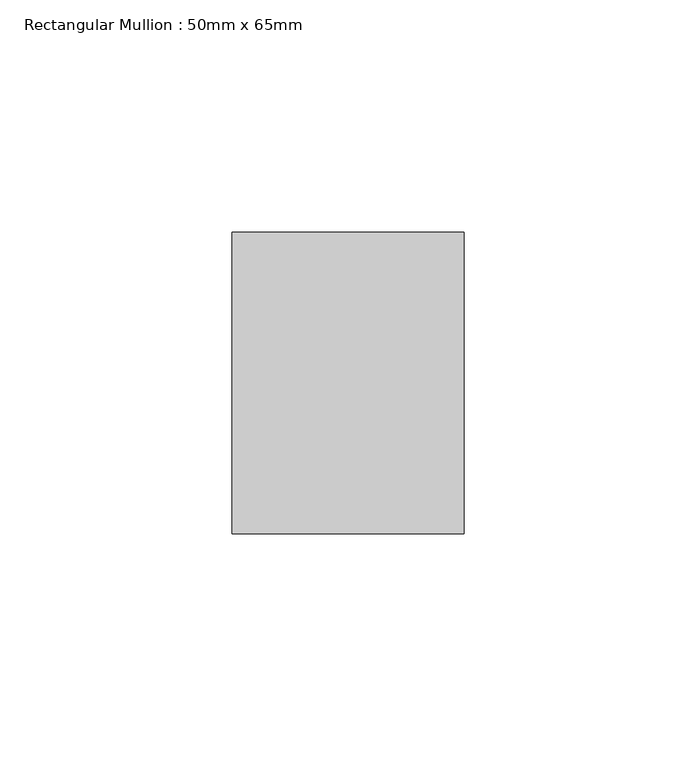
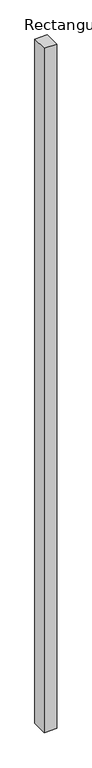
"""IFC4 building model written with IfcOpenShell, lengths in millimetres: member geometry, Rectangular Mullion : 50mm x 65mm."""

from ifc_helpers import new_model, si_unit, frame, origin, place, context, project, spatial, polyline, outline, extrude, source, transform, mapped, element, save


def rectangular_mullion_50mm_x_65mm_ec1c0f65(model_context):
    return source(origin(), model_context, "Body", "SweptSolid", [
        extrude(outline(polyline([(25.0, 32.5), (25.0, -32.5), (-25.0, -32.5), (-25.0, 32.5), (25.0, 32.5)])), frame((0.0, 0.0, -2900.0), z_axis=(0.0, 0.0, 1.0), x_axis=(1.0, 0.0, 0.0)), (0.0, 0.0, 1.0), 2900.0),
    ])


if __name__ == "__main__":
    model = new_model("IFC4")
    model_context = context("Model", 3, world=origin())
    ifc_project = project(units=[si_unit("LENGTHUNIT", "METRE", prefix="MILLI")], contexts=[model_context])
    site = spatial("IfcSite", under=ifc_project)
    building = spatial("IfcBuilding", under=site)
    placement = place(None, origin())
    rectangular_mullion_50mm_x_65mm_shape = rectangular_mullion_50mm_x_65mm_ec1c0f65(model_context)
    element("IfcMember", 1, ObjectType="Rectangular Mullion : 50mm x 65mm", at=placement, inside=building, context=model_context, shape_type="MappedRepresentation", body=[
        mapped(rectangular_mullion_50mm_x_65mm_shape, transform((0.0, 0.0, 0.0), x_axis=(1.0, 0.0, 0.0), y_axis=(0.0, 1.0, 0.0), z_axis=(0.0, 0.0, 1.0))),
    ])
    save(model, "model.ifc")
